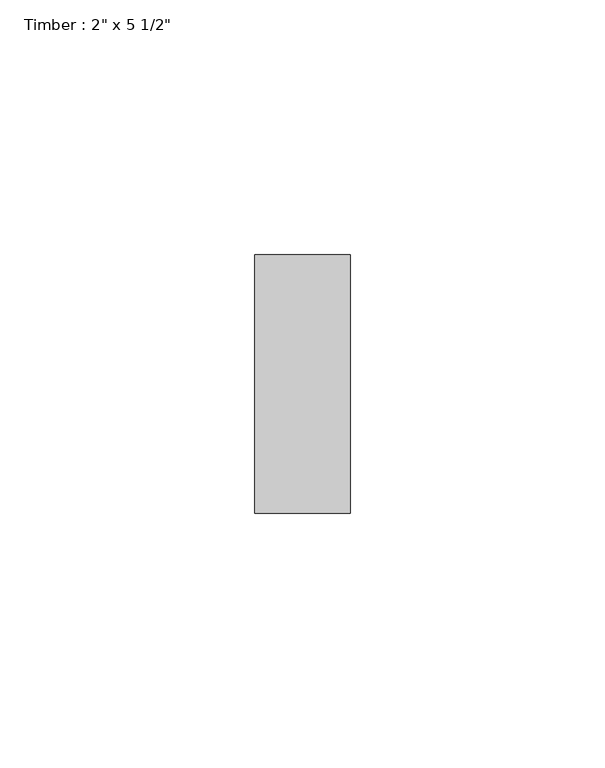
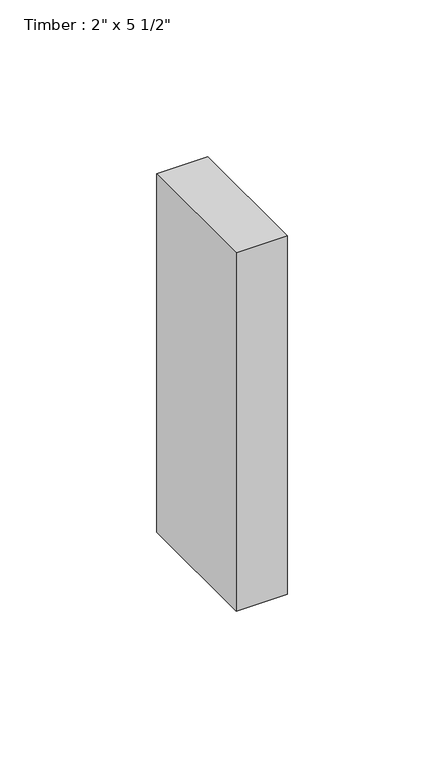
"""IFC4 building model written with IfcOpenShell, lengths in millimetres: beam geometry."""

from ifc_helpers import new_model, si_unit, frame, origin, place, context, project, spatial, polyline, outline, extrude, source, transform, mapped, element, save


def beam_bf588f50(model_context):
    return source(origin(), model_context, "Body", "SweptSolid", [
        extrude(outline(polyline([(9.3763477, 25.4), (9.3763477, -25.4), (-9.3763477, -25.4), (-9.3763477, 25.4), (9.3763477, 25.4)])), frame((0.0, 0.0, -69.85), z_axis=(0.0, 0.0, 1.0), x_axis=(1.0, 0.0, 0.0)), (0.0, 0.0, 1.0), 139.7),
    ])


if __name__ == "__main__":
    model = new_model("IFC4")
    model_context = context("Model", 3, world=origin())
    ifc_project = project(units=[si_unit("LENGTHUNIT", "METRE", prefix="MILLI")], contexts=[model_context])
    site = spatial("IfcSite", under=ifc_project)
    building = spatial("IfcBuilding", under=site)
    placement = place(None, origin())
    beam_shape = beam_bf588f50(model_context)
    element("IfcBeam", 1, ObjectType="Timber : 2\" x 5 1/2\"", at=placement, inside=building, context=model_context, shape_type="MappedRepresentation", body=[
        mapped(beam_shape, transform((0.0, 0.0, 0.0), x_axis=(1.0, 0.0, 0.0), y_axis=(0.0, 1.0, 0.0), z_axis=(0.0, 0.0, 1.0))),
    ])
    save(model, "model.ifc")
